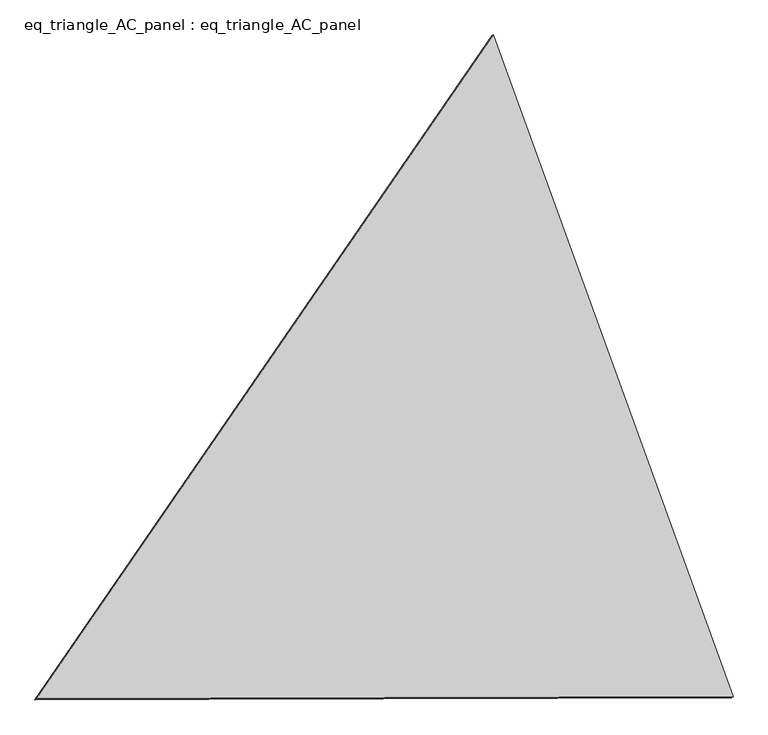
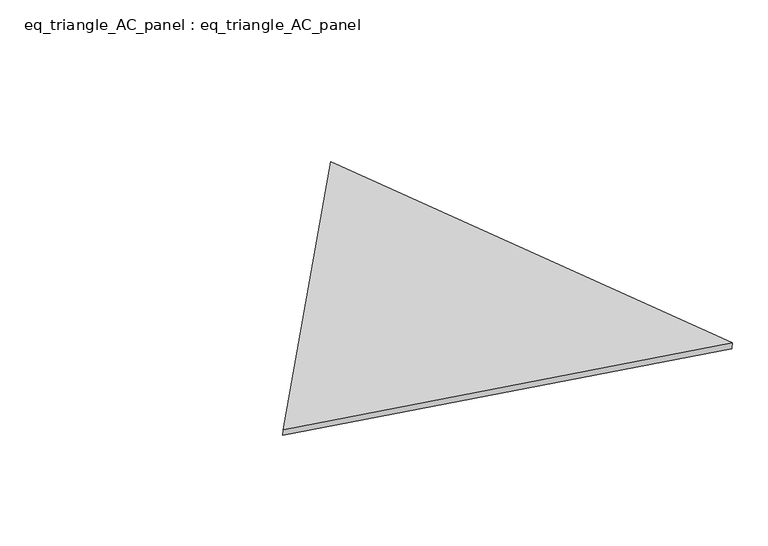
"""IFC4 building model written with IfcOpenShell, lengths in millimetres: proxy geometry, eq_triangle_AC_panel : eq_triangle_AC_panel."""

from ifc_helpers import new_model, si_unit, frame, origin, place, context, project, spatial, polyline, outline, extrude, source, transform, mapped, element, save


def eq_triangle_ac_panel_eq_triangle_ac_panel_ed7dd8e4(model_context):
    return source(origin(), model_context, "Body", "SweptSolid", [
        extrude(outline(polyline([(-1940.9247911, 1096.9488492), (1545.7025419, 1096.9488492), (395.2222489, -2193.8976984), (-1940.9247911, 1096.9488492)])), frame((0.0038051, 527.9290861, 89.8240019), z_axis=(0.1452632851805821, 0.08386570281802193, 0.9858321976225896), x_axis=(0.340717817461415, -0.9396952468052403, 0.029735702378931195)), (0.0, 0.0, 1.0), 43.8306294),
    ])


if __name__ == "__main__":
    model = new_model("IFC4")
    model_context = context("Model", 3, world=origin())
    ifc_project = project(units=[si_unit("LENGTHUNIT", "METRE", prefix="MILLI")], contexts=[model_context])
    site = spatial("IfcSite", under=ifc_project)
    building = spatial("IfcBuilding", under=site)
    placement = place(None, origin())
    eq_triangle_ac_panel_eq_triangle_ac_panel_shape = eq_triangle_ac_panel_eq_triangle_ac_panel_ed7dd8e4(model_context)
    element("IfcBuildingElementProxy", 1, Name="eq_triangle_AC_panel : eq_triangle_AC_panel", ObjectType="eq_triangle_AC_panel : eq_triangle_AC_panel", at=placement, inside=building, context=model_context, shape_type="MappedRepresentation", body=[
        mapped(eq_triangle_ac_panel_eq_triangle_ac_panel_shape, transform((0.0, 0.0, 0.0), x_axis=(1.0, 0.0, 0.0), y_axis=(0.0, 1.0, 0.0), z_axis=(0.0, 0.0, 1.0))),
    ])
    save(model, "model.ifc")
